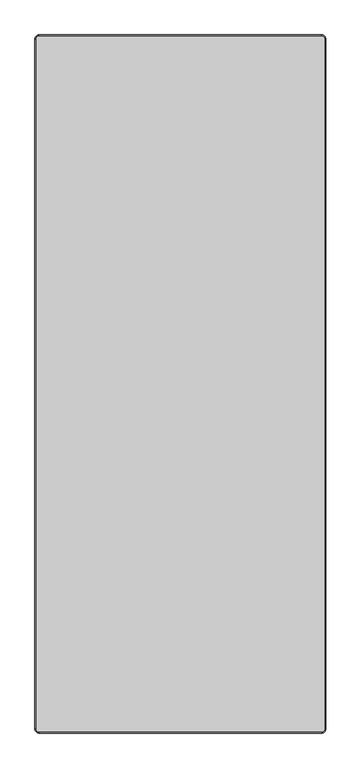
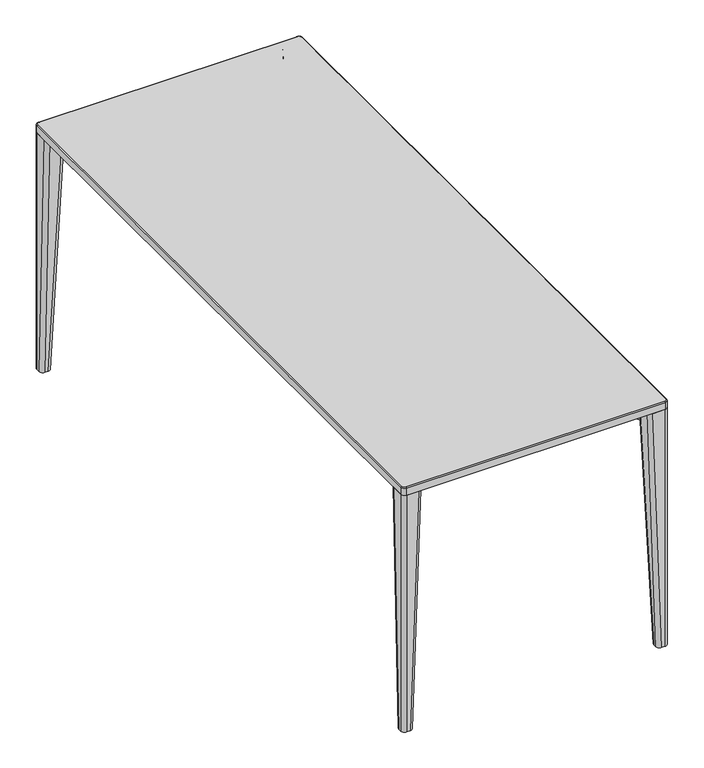
"""IFC4 building model written with IfcOpenShell, lengths in millimetres: furniture geometry."""

from ifc_helpers import new_model, si_unit, point, frame, frame_2d, origin, place, context, project, spatial, polyline, circle_curve, ellipse_curve, trimmed, segment, composite_curve, outline, extrude, source, transform, mapped, element, save
from ifc_brep_helpers import plane_surface, cylinder_surface, revolved_surface, extruded_surface, advanced_brep


def furniture_276bb949(model_context):
    return source(origin(), model_context, "Body", "SolidModel", [
        advanced_brep(
        [(-372.0, -890.0, 730.0), (-365.0, -897.0, 730.0), (365.0, -897.0, 730.0), (372.0, -890.0, 730.0), (372.0, 890.0, 730.0), (365.0, 897.0, 730.0), (-365.0, 897.0, 730.0), (-372.0, 890.0, 730.0), (365.0, 900.0, 707.0), (375.0, 890.0, 707.0), (375.0, -890.0, 707.0), (365.0, -900.0, 707.0), (-365.0, -900.0, 707.0), (-375.0, -890.0, 707.0), (-375.0, 890.0, 707.0), (-365.0, 900.0, 707.0), (-230.0, -740.0, 707.0), (-350.0, -740.0, 707.0), (-365.0, -755.0, 707.0), (-365.0, -875.0, 707.0), (-350.0, -890.0, 707.0), (-230.0, -890.0, 707.0), (-215.0, -875.0, 707.0), (-215.0, -755.0, 707.0), (230.0, -740.0, 707.0), (215.0, -755.0, 707.0), (215.0, -875.0, 707.0), (230.0, -890.0, 707.0), (350.0, -890.0, 707.0), (365.0, -875.0, 707.0), (365.0, -755.0, 707.0), (350.0, -740.0, 707.0), (-230.0, 740.0, 707.0), (-215.0, 755.0, 707.0), (-215.0, 875.0, 707.0), (-230.0, 890.0, 707.0), (-350.0, 890.0, 707.0), (-365.0, 875.0, 707.0), (-365.0, 755.0, 707.0), (-350.0, 740.0, 707.0), (230.0, 740.0, 707.0), (350.0, 740.0, 707.0), (365.0, 755.0, 707.0), (365.0, 875.0, 707.0), (350.0, 890.0, 707.0), (230.0, 890.0, 707.0), (215.0, 875.0, 707.0), (215.0, 755.0, 707.0), (-365.0, 900.0, 727.0), (365.0, 900.0, 727.0), (-375.0, -890.0, 727.000003), (-375.0, 890.0, 727.0), (365.0, -900.0, 727.0), (-365.0, -900.0, 727.0), (375.0, 890.0, 727.0), (375.0, -890.0, 727.0), (-230.0, -740.0, 710.5), (-215.0, -755.0, 710.5), (-215.0, -875.0, 710.5), (-230.0, -890.0, 710.5), (-350.0, -890.0, 710.5), (-365.0, -875.0, 710.5), (-365.0, -755.0, 710.5), (-350.0, -740.0, 710.5), (230.0, -740.0, 710.5), (350.0, -740.0, 710.5), (365.0, -755.0, 710.5), (365.0, -875.0, 710.5), (350.0, -890.0, 710.5), (230.0, -890.0, 710.5), (215.0, -875.0, 710.5), (215.0, -755.0, 710.5), (-230.0, 740.0, 710.5), (-350.0, 740.0, 710.5), (-365.0, 755.0, 710.5), (-365.0, 875.0, 710.5), (-350.0, 890.0, 710.5), (-230.0, 890.0, 710.5), (-215.0, 875.0, 710.5), (-215.0, 755.0, 710.5), (230.0, 740.0, 710.5), (215.0, 755.0, 710.5), (215.0, 875.0, 710.5), (230.0, 890.0, 710.5), (350.0, 890.0, 710.5), (365.0, 875.0, 710.5), (365.0, 755.0, 710.5), (350.0, 740.0, 710.5)],
        [
            (0, 1, circle_curve(frame((-365.0, -890.0, 730.0), z_axis=(0.0, 0.0, 1.0), x_axis=(-1.0, 0.0, 0.0)), 7.0)),
            (1, 2),
            (2, 3, circle_curve(frame((365.0, -890.0, 730.0), z_axis=(0.0, 0.0, 1.0), x_axis=(0.0, -1.0, 0.0)), 7.0)),
            (3, 4),
            (4, 5, circle_curve(frame((365.0, 890.0, 730.0), z_axis=(0.0, 0.0, 1.0), x_axis=(1.0, 0.0, 0.0)), 7.0)),
            (5, 6),
            (6, 7, circle_curve(frame((-365.0, 890.0, 730.0), z_axis=(0.0, 0.0, 1.0), x_axis=(0.0, 1.0, 0.0)), 7.0)),
            (7, 0),
            (8, 9, circle_curve(frame((365.0, 890.0, 707.0), z_axis=(0.0, 0.0, -1.0), x_axis=(1.0, 0.0, 0.0)), 10.0)),
            (9, 10),
            (10, 11, circle_curve(frame((365.0, -890.0, 707.0), z_axis=(0.0, 0.0, -1.0), x_axis=(1.0, 0.0, 0.0)), 10.0)),
            (11, 12),
            (12, 13, circle_curve(frame((-365.0, -890.0, 707.0), z_axis=(0.0, 0.0, -1.0), x_axis=(1.0, 0.0, 0.0)), 10.0)),
            (13, 14),
            (14, 15, circle_curve(frame((-365.0, 890.0, 707.0), z_axis=(0.0, 0.0, -1.0), x_axis=(1.0, 0.0, 0.0)), 10.0)),
            (15, 8),
            (16, 17),
            (17, 18, circle_curve(frame((-350.0, -755.0, 707.0), z_axis=(0.0, 0.0, 1.0), x_axis=(-0.7071067811866044, 0.7071067811864906, 0.0)), 15.0)),
            (18, 19),
            (19, 20, circle_curve(frame((-350.0, -875.0, 707.0), z_axis=(0.0, 0.0, 1.0), x_axis=(-0.7071067811866044, 0.7071067811864906, 0.0)), 15.0)),
            (20, 21),
            (21, 22, circle_curve(frame((-230.0, -875.0, 707.0), z_axis=(0.0, 0.0, 1.0), x_axis=(-0.7071067811866044, 0.7071067811864906, 0.0)), 15.0)),
            (22, 23),
            (23, 16, circle_curve(frame((-230.0, -755.0, 707.0), z_axis=(0.0, 0.0, 1.0), x_axis=(-0.7071067811866044, 0.7071067811864906, 0.0)), 15.0)),
            (24, 25, circle_curve(frame((230.0, -755.0, 707.0), z_axis=(0.0, 0.0, 1.0), x_axis=(-0.7071067811866044, 0.7071067811864906, 0.0)), 15.0)),
            (25, 26),
            (26, 27, circle_curve(frame((230.0, -875.0, 707.0), z_axis=(0.0, 0.0, 1.0), x_axis=(-0.7071067811866044, 0.7071067811864906, 0.0)), 15.0)),
            (27, 28),
            (28, 29, circle_curve(frame((350.0, -875.0, 707.0), z_axis=(0.0, 0.0, 1.0), x_axis=(-0.7071067811866044, 0.7071067811864906, 0.0)), 15.0)),
            (29, 30),
            (30, 31, circle_curve(frame((350.0, -755.0, 707.0), z_axis=(0.0, 0.0, 1.0), x_axis=(-0.7071067811866044, 0.7071067811864906, 0.0)), 15.0)),
            (31, 24),
            (32, 33, circle_curve(frame((-230.0, 755.0, 707.0), z_axis=(0.0, 0.0, 1.0), x_axis=(-0.7071067811866044, 0.7071067811864906, 0.0)), 15.0)),
            (33, 34),
            (34, 35, circle_curve(frame((-230.0, 875.0, 707.0), z_axis=(0.0, 0.0, 1.0), x_axis=(-0.7071067811866044, 0.7071067811864906, 0.0)), 15.0)),
            (35, 36),
            (36, 37, circle_curve(frame((-350.0, 875.0, 707.0), z_axis=(0.0, 0.0, 1.0), x_axis=(-0.7071067811866044, 0.7071067811864906, 0.0)), 15.0)),
            (37, 38),
            (38, 39, circle_curve(frame((-350.0, 755.0, 707.0), z_axis=(0.0, 0.0, 1.0), x_axis=(-0.7071067811866044, 0.7071067811864906, 0.0)), 15.0)),
            (39, 32),
            (40, 41),
            (41, 42, circle_curve(frame((350.0, 755.0, 707.0), z_axis=(0.0, 0.0, 1.0), x_axis=(-0.7071067811866044, 0.7071067811864906, 0.0)), 15.0)),
            (42, 43),
            (43, 44, circle_curve(frame((350.0, 875.0, 707.0), z_axis=(0.0, 0.0, 1.0), x_axis=(-0.7071067811866044, 0.7071067811864906, 0.0)), 15.0)),
            (44, 45),
            (45, 46, circle_curve(frame((230.0, 875.0, 707.0), z_axis=(0.0, 0.0, 1.0), x_axis=(-0.7071067811866044, 0.7071067811864906, 0.0)), 15.0)),
            (46, 47),
            (47, 40, circle_curve(frame((230.0, 755.0, 707.0), z_axis=(0.0, 0.0, 1.0), x_axis=(-0.7071067811866044, 0.7071067811864906, 0.0)), 15.0)),
            (15, 48),
            (48, 49),
            (49, 8),
            (13, 50),
            (50, 51),
            (51, 14),
            (11, 52),
            (52, 53),
            (53, 12),
            (9, 54),
            (54, 55),
            (55, 10),
            (51, 48, circle_curve(frame((-365.0, 890.0, 727.0), z_axis=(0.0, 0.0, -1.0), x_axis=(1.0, 0.0, 0.0)), 10.0)),
            (53, 50, circle_curve(frame((-365.0, -890.0, 727.0), z_axis=(0.0, 0.0, -1.0), x_axis=(1.0, 0.0, 0.0)), 10.0)),
            (55, 52, circle_curve(frame((365.0, -890.0, 727.0), z_axis=(0.0, 0.0, -1.0), x_axis=(1.0, 0.0, 0.0)), 10.0)),
            (49, 54, circle_curve(frame((365.0, 890.0, 727.0), z_axis=(0.0, 0.0, -1.0), x_axis=(1.0, 0.0, 0.0)), 10.0)),
            (53, 1, circle_curve(frame((-365.0, -897.0, 727.0), z_axis=(-1.0, 0.0, 0.0), x_axis=(0.0, 1.0, 0.0)), 3.0)),
            (0, 50, circle_curve(frame((-372.0, -890.0, 727.0), z_axis=(0.0, -1.0, 0.0), x_axis=(1.0, 0.0, 0.0)), 3.0)),
            (52, 2, circle_curve(frame((365.0, -897.0, 727.0), z_axis=(-1.0, 0.0, 0.0), x_axis=(0.0, 1.0, 0.0)), 3.0)),
            (55, 3, circle_curve(frame((372.0, -890.0, 727.0), z_axis=(0.0, -1.0, 0.0), x_axis=(-1.0, 0.0, 0.0)), 3.0)),
            (54, 4, circle_curve(frame((372.0, 890.0, 727.0), z_axis=(0.0, -1.0, 0.0), x_axis=(-1.0, 0.0, 0.0)), 3.0)),
            (49, 5, circle_curve(frame((365.0, 897.0, 727.0), z_axis=(1.0, 0.0, 0.0), x_axis=(0.0, -1.0, 0.0)), 3.0)),
            (48, 6, circle_curve(frame((-365.0, 897.0, 727.0), z_axis=(1.0, 0.0, 0.0), x_axis=(0.0, -1.0, 0.0)), 3.0)),
            (51, 7, circle_curve(frame((-372.0, 890.0, 727.0), z_axis=(0.0, 1.0, 0.0), x_axis=(1.0, 0.0, 0.0)), 3.0)),
            (56, 57, circle_curve(frame((-230.0, -755.0, 710.5), z_axis=(0.0, 0.0, -1.0), x_axis=(-0.7071067811866044, 0.7071067811864906, 0.0)), 15.0)),
            (57, 58),
            (58, 59, circle_curve(frame((-230.0, -875.0, 710.5), z_axis=(0.0, 0.0, -1.0), x_axis=(-0.7071067811866044, 0.7071067811864906, 0.0)), 15.0)),
            (59, 60),
            (60, 61, circle_curve(frame((-350.0, -875.0, 710.5), z_axis=(0.0, 0.0, -1.0), x_axis=(-0.7071067811866044, 0.7071067811864906, 0.0)), 15.0)),
            (61, 62),
            (62, 63, circle_curve(frame((-350.0, -755.0, 710.5), z_axis=(0.0, 0.0, -1.0), x_axis=(-0.7071067811866044, 0.7071067811864906, 0.0)), 15.0)),
            (63, 56),
            (64, 65),
            (65, 66, circle_curve(frame((350.0, -755.0, 710.5), z_axis=(0.0, 0.0, -1.0), x_axis=(-0.7071067811866044, 0.7071067811864906, 0.0)), 15.0)),
            (66, 67),
            (67, 68, circle_curve(frame((350.0, -875.0, 710.5), z_axis=(0.0, 0.0, -1.0), x_axis=(-0.7071067811866044, 0.7071067811864906, 0.0)), 15.0)),
            (68, 69),
            (69, 70, circle_curve(frame((230.0, -875.0, 710.5), z_axis=(0.0, 0.0, -1.0), x_axis=(-0.7071067811866044, 0.7071067811864906, 0.0)), 15.0)),
            (70, 71),
            (71, 64, circle_curve(frame((230.0, -755.0, 710.5), z_axis=(0.0, 0.0, -1.0), x_axis=(-0.7071067811866044, 0.7071067811864906, 0.0)), 15.0)),
            (72, 73),
            (73, 74, circle_curve(frame((-350.0, 755.0, 710.5), z_axis=(0.0, 0.0, -1.0), x_axis=(-0.7071067811866044, 0.7071067811864906, 0.0)), 15.0)),
            (74, 75),
            (75, 76, circle_curve(frame((-350.0, 875.0, 710.5), z_axis=(0.0, 0.0, -1.0), x_axis=(-0.7071067811866044, 0.7071067811864906, 0.0)), 15.0)),
            (76, 77),
            (77, 78, circle_curve(frame((-230.0, 875.0, 710.5), z_axis=(0.0, 0.0, -1.0), x_axis=(-0.7071067811866044, 0.7071067811864906, 0.0)), 15.0)),
            (78, 79),
            (79, 72, circle_curve(frame((-230.0, 755.0, 710.5), z_axis=(0.0, 0.0, -1.0), x_axis=(-0.7071067811866044, 0.7071067811864906, 0.0)), 15.0)),
            (80, 81, circle_curve(frame((230.0, 755.0, 710.5), z_axis=(0.0, 0.0, -1.0), x_axis=(-0.7071067811866044, 0.7071067811864906, 0.0)), 15.0)),
            (81, 82),
            (82, 83, circle_curve(frame((230.0, 875.0, 710.5), z_axis=(0.0, 0.0, -1.0), x_axis=(-0.7071067811866044, 0.7071067811864906, 0.0)), 15.0)),
            (83, 84),
            (84, 85, circle_curve(frame((350.0, 875.0, 710.5), z_axis=(0.0, 0.0, -1.0), x_axis=(-0.7071067811866044, 0.7071067811864906, 0.0)), 15.0)),
            (85, 86),
            (86, 87, circle_curve(frame((350.0, 755.0, 710.5), z_axis=(0.0, 0.0, -1.0), x_axis=(-0.7071067811866044, 0.7071067811864906, 0.0)), 15.0)),
            (87, 80),
            (63, 17),
            (16, 56),
            (62, 18),
            (61, 19),
            (60, 20),
            (59, 21),
            (58, 22),
            (57, 23),
            (71, 25),
            (24, 64),
            (70, 26),
            (69, 27),
            (68, 28),
            (67, 29),
            (66, 30),
            (65, 31),
            (79, 33),
            (32, 72),
            (78, 34),
            (77, 35),
            (76, 36),
            (75, 37),
            (74, 38),
            (73, 39),
            (87, 41),
            (40, 80),
            (86, 42),
            (85, 43),
            (84, 44),
            (83, 45),
            (82, 46),
            (81, 47),
        ],
        [
            plane_surface(frame((-250.0, 900.0, 730.0), z_axis=(0.0, 0.0, 1.0), x_axis=(-1.0, 0.0, 0.0))),
            plane_surface(frame((-250.0, 900.0, 707.0), z_axis=(0.0, 0.0, -1.0), x_axis=(1.0, 0.0, 0.0))),
            plane_surface(frame((365.0, 900.0, 730.0), z_axis=(0.0, 1.0, 0.0), x_axis=(0.0, 0.0, -1.0))),
            plane_surface(frame((-375.0, 890.0, 730.0), z_axis=(-1.0, 0.0, 0.0), x_axis=(0.0, 0.0, -1.0))),
            plane_surface(frame((-365.0, -900.0, 730.0), z_axis=(0.0, -1.0, 0.0), x_axis=(0.0, 0.0, -1.0))),
            plane_surface(frame((375.0, -890.0, 730.0), z_axis=(1.0, 0.0, 0.0), x_axis=(0.0, 0.0, -1.0))),
            cylinder_surface(frame((-365.0, 890.0, 707.0), z_axis=(0.0, 0.0, 1.0), x_axis=(1.0, 0.0, 0.0)), 10.0),
            cylinder_surface(frame((-365.0, -890.0, 707.0), z_axis=(0.0, 0.0, 1.0), x_axis=(1.0, 0.0, 0.0)), 10.0),
            cylinder_surface(frame((365.0, -890.0, 707.0), z_axis=(0.0, 0.0, 1.0), x_axis=(1.0, 0.0, 0.0)), 10.0),
            cylinder_surface(frame((365.0, 890.0, 707.0), z_axis=(0.0, 0.0, 1.0), x_axis=(1.0, 0.0, 0.0)), 10.0),
            revolved_surface(trimmed(ellipse_curve(frame((-372.0, -890.0, 727.0), z_axis=(0.0, 1.0, 0.0), x_axis=(1.0, 0.0, 0.0)), 3.0, 3.0), [point((-375.0, -890.0, 727.0))], [point((-372.0, -890.0, 730.0))], True, "CARTESIAN"), (-365.0, -890.0, 212.565852), (0.0, 0.0, 1.0)),
            cylinder_surface(frame((-365.0, -897.0, 727.0), z_axis=(1.0, 0.0, 0.0), x_axis=(0.0, 1.0, 0.0)), 3.0),
            revolved_surface(trimmed(ellipse_curve(frame((365.0, -897.0, 727.0), z_axis=(-1.0, 0.0, 0.0), x_axis=(0.0, 1.0, 0.0)), 3.0, 3.0), [point((365.0, -900.0, 727.0))], [point((365.0, -897.0, 730.0))], True, "CARTESIAN"), (365.0, -890.0, 212.565852), (0.0, 0.0, 1.0)),
            cylinder_surface(frame((372.0, -890.0, 727.0), z_axis=(0.0, 1.0, 0.0), x_axis=(-1.0, 0.0, 0.0)), 3.0),
            revolved_surface(trimmed(ellipse_curve(frame((372.0, 890.0, 727.0), z_axis=(0.0, -1.0, 0.0), x_axis=(-1.0, 0.0, 0.0)), 3.0, 3.0), [point((375.0, 890.0, 727.0))], [point((372.0, 890.0, 730.0))], True, "CARTESIAN"), (365.0, 890.0, 212.565852), (0.0, 0.0, 1.0)),
            cylinder_surface(frame((365.0, 897.0, 727.0), z_axis=(-1.0, 0.0, 0.0), x_axis=(0.0, -1.0, 0.0)), 3.0),
            revolved_surface(trimmed(ellipse_curve(frame((-365.0, 897.0, 727.0), z_axis=(1.0, 0.0, 0.0), x_axis=(0.0, -1.0, 0.0)), 3.0, 3.0), [point((-365.0, 900.0, 727.0))], [point((-365.0, 897.0, 730.0))], True, "CARTESIAN"), (-365.0, 890.0, 212.565852), (0.0, 0.0, 1.0)),
            cylinder_surface(frame((-372.0, 890.0, 727.0), z_axis=(0.0, -1.0, 0.0), x_axis=(1.0, 0.0, 0.0)), 3.0),
            plane_surface(frame((-325.0, -740.0, 710.5), z_axis=(0.0, 0.0, -1.0), x_axis=(-1.0, 0.0, 0.0))),
            plane_surface(frame((-230.0, -740.0, 710.5), z_axis=(0.0, -1.0, 0.0), x_axis=(0.0, 0.0, -1.0))),
            revolved_surface(polyline([(-360.6066017177991, -744.3933982822026, 710.5), (-360.6066017177991, -744.3933982822026, 707.0)]), (-350.0, -755.0, 689.2243474), (0.0, 0.0, 1.0)),
            plane_surface(frame((-365.0, -755.0, 710.5), z_axis=(1.0, 0.0, 0.0), x_axis=(0.0, 0.0, -1.0))),
            revolved_surface(polyline([(-360.6066017177991, -864.3933982822026, 710.5), (-360.6066017177991, -864.3933982822026, 707.0)]), (-350.0, -875.0, 689.2243474), (0.0, 0.0, 1.0)),
            plane_surface(frame((-350.0, -890.0, 710.5), z_axis=(0.0, 1.0, 0.0), x_axis=(0.0, 0.0, -1.0))),
            revolved_surface(polyline([(-240.60660171779907, -864.3933982822026, 710.5), (-240.60660171779907, -864.3933982822026, 707.0)]), (-230.0, -875.0, 689.2243474), (0.0, 0.0, 1.0)),
            plane_surface(frame((-215.0, -875.0, 710.5), z_axis=(-1.0, 0.0, 0.0), x_axis=(0.0, 0.0, -1.0))),
            revolved_surface(polyline([(-240.60660171779907, -744.3933982822026, 710.5), (-240.60660171779907, -744.3933982822026, 707.0)]), (-230.0, -755.0, 689.2243474), (0.0, 0.0, 1.0)),
            revolved_surface(polyline([(219.39339828220093, -744.3933982822026, 710.5), (219.39339828220093, -744.3933982822026, 707.0)]), (230.0, -755.0, 7.5), (0.0, 0.0, 1.0)),
            plane_surface(frame((215.0, -755.0, 710.5), z_axis=(1.0, 0.0, 0.0), x_axis=(0.0, 0.0, -1.0))),
            revolved_surface(polyline([(219.39339828220093, -864.3933982822026, 710.5), (219.39339828220093, -864.3933982822026, 707.0)]), (230.0, -875.0, 7.5), (0.0, 0.0, 1.0)),
            plane_surface(frame((230.0, -890.0, 710.5), z_axis=(0.0, 1.0, 0.0), x_axis=(0.0, 0.0, -1.0))),
            revolved_surface(polyline([(339.3933982822009, -864.3933982822026, 710.5), (339.3933982822009, -864.3933982822026, 707.0)]), (350.0, -875.0, 7.5), (0.0, 0.0, 1.0)),
            plane_surface(frame((365.0, -875.0, 710.5), z_axis=(-1.0, 0.0, 0.0), x_axis=(0.0, 0.0, -1.0))),
            revolved_surface(polyline([(339.3933982822009, -744.3933982822026, 710.5), (339.3933982822009, -744.3933982822026, 707.0)]), (350.0, -755.0, 7.5), (0.0, 0.0, 1.0)),
            plane_surface(frame((350.0, -740.0, 710.5), z_axis=(0.0, -1.0, 0.0), x_axis=(0.0, 0.0, -1.0))),
            revolved_surface(polyline([(-240.60660171779907, 765.6066017177974, 710.5), (-240.60660171779907, 765.6066017177974, 707.0)]), (-230.0, 755.0, 7.5), (0.0, 0.0, 1.0)),
            plane_surface(frame((-215.0, 755.0, 710.5), z_axis=(-1.0, 0.0, 0.0), x_axis=(0.0, 0.0, -1.0))),
            revolved_surface(polyline([(-240.60660171779907, 885.6066017177974, 710.5), (-240.60660171779907, 885.6066017177974, 707.0)]), (-230.0, 875.0, 7.5), (0.0, 0.0, 1.0)),
            plane_surface(frame((-230.0, 890.0, 710.5), z_axis=(0.0, -1.0, 0.0), x_axis=(0.0, 0.0, -1.0))),
            revolved_surface(polyline([(-360.6066017177991, 885.6066017177974, 710.5), (-360.6066017177991, 885.6066017177974, 707.0)]), (-350.0, 875.0, 7.5), (0.0, 0.0, 1.0)),
            plane_surface(frame((-365.0, 875.0, 710.5), z_axis=(1.0, 0.0, 0.0), x_axis=(0.0, 0.0, -1.0))),
            revolved_surface(polyline([(-360.6066017177991, 765.6066017177974, 710.5), (-360.6066017177991, 765.6066017177974, 707.0)]), (-350.0, 755.0, 7.5), (0.0, 0.0, 1.0)),
            plane_surface(frame((-350.0, 740.0, 710.5), z_axis=(0.0, 1.0, 0.0), x_axis=(0.0, 0.0, -1.0))),
            plane_surface(frame((230.0, 740.0, 710.5), z_axis=(0.0, 1.0, 0.0), x_axis=(0.0, 0.0, -1.0))),
            revolved_surface(polyline([(339.3933982822009, 765.6066017177974, 710.5), (339.3933982822009, 765.6066017177974, 707.0)]), (350.0, 755.0, 7.5), (0.0, 0.0, 1.0)),
            plane_surface(frame((365.0, 755.0, 710.5), z_axis=(-1.0, 0.0, 0.0), x_axis=(0.0, 0.0, -1.0))),
            revolved_surface(polyline([(339.3933982822009, 885.6066017177974, 710.5), (339.3933982822009, 885.6066017177974, 707.0)]), (350.0, 875.0, 7.5), (0.0, 0.0, 1.0)),
            plane_surface(frame((350.0, 890.0, 710.5), z_axis=(0.0, -1.0, 0.0), x_axis=(0.0, 0.0, -1.0))),
            revolved_surface(polyline([(219.39339828220093, 885.6066017177974, 710.5), (219.39339828220093, 885.6066017177974, 707.0)]), (230.0, 875.0, 7.5), (0.0, 0.0, 1.0)),
            plane_surface(frame((215.0, 875.0, 710.5), z_axis=(1.0, 0.0, 0.0), x_axis=(0.0, 0.0, -1.0))),
            revolved_surface(polyline([(219.39339828220093, 765.6066017177974, 710.5), (219.39339828220093, 765.6066017177974, 707.0)]), (230.0, 755.0, 7.5), (0.0, 0.0, 1.0)),
        ],
        [
            (0, [[1, 2, 3, 4, 5, 6, 7, 8]]),
            (1, [[9, 10, 11, 12, 13, 14, 15, 16], [17, 18, 19, 20, 21, 22, 23, 24], [25, 26, 27, 28, 29, 30, 31, 32], [33, 34, 35, 36, 37, 38, 39, 40], [41, 42, 43, 44, 45, 46, 47, 48]]),
            (2, [[-16, 49, 50, 51]]),
            (3, [[-14, 52, 53, 54]]),
            (4, [[-12, 55, 56, 57]]),
            (5, [[-10, 58, 59, 60]]),
            (6, [[-15, -54, 61, -49]]),
            (7, [[-13, -57, 62, -52]]),
            (8, [[-11, -60, 63, -55]]),
            (9, [[-9, -51, 64, -58]]),
            (10, [[65, -1, 66, -62]]),
            (11, [[-65, -56, 67, -2]]),
            (12, [[-67, -63, 68, -3]]),
            (13, [[-68, -59, 69, -4]]),
            (14, [[-69, -64, 70, -5]]),
            (15, [[-70, -50, 71, -6]]),
            (16, [[-71, -61, 72, -7]]),
            (17, [[-66, -8, -72, -53]]),
            (18, [[73, 74, 75, 76, 77, 78, 79, 80]]),
            (18, [[81, 82, 83, 84, 85, 86, 87, 88]]),
            (18, [[89, 90, 91, 92, 93, 94, 95, 96]]),
            (18, [[97, 98, 99, 100, 101, 102, 103, 104]]),
            (19, [[-80, 105, -17, 106]]),
            (20, [[-79, 107, -18, -105]]),
            (21, [[-78, 108, -19, -107]]),
            (22, [[-77, 109, -20, -108]]),
            (23, [[-76, 110, -21, -109]]),
            (24, [[-75, 111, -22, -110]]),
            (25, [[-74, 112, -23, -111]]),
            (26, [[-73, -106, -24, -112]]),
            (27, [[-88, 113, -25, 114]]),
            (28, [[-87, 115, -26, -113]]),
            (29, [[-86, 116, -27, -115]]),
            (30, [[-85, 117, -28, -116]]),
            (31, [[-84, 118, -29, -117]]),
            (32, [[-83, 119, -30, -118]]),
            (33, [[-82, 120, -31, -119]]),
            (34, [[-81, -114, -32, -120]]),
            (35, [[-96, 121, -33, 122]]),
            (36, [[-95, 123, -34, -121]]),
            (37, [[-94, 124, -35, -123]]),
            (38, [[-93, 125, -36, -124]]),
            (39, [[-92, 126, -37, -125]]),
            (40, [[-91, 127, -38, -126]]),
            (41, [[-90, 128, -39, -127]]),
            (42, [[-89, -122, -40, -128]]),
            (43, [[-104, 129, -41, 130]]),
            (44, [[-103, 131, -42, -129]]),
            (45, [[-102, 132, -43, -131]]),
            (46, [[-101, 133, -44, -132]]),
            (47, [[-100, 134, -45, -133]]),
            (48, [[-99, 135, -46, -134]]),
            (49, [[-98, 136, -47, -135]]),
            (50, [[-97, -130, -48, -136]]),
        ],
    ),
        advanced_brep(
        [(365.0000055, 845.0356915, 707.0), (375.0000055, 855.0356915, 707.0), (375.0000055, 890.0356915, 707.0), (365.0000055, 900.0356915, 707.0), (330.0356915, 900.0356915, 707.0), (320.0356915, 890.0356915, 707.0), (320.0356915, 855.0356915, 707.0), (330.0356915, 845.0356915, 707.0), (365.0000055, 869.9286171, 0.0), (354.9286169, 869.9286171, 0.0), (344.9286169, 879.9286171, 0.0), (344.9286169, 890.0356915, 0.0), (354.9286169, 900.0356915, 0.0), (365.0000055, 900.0356915, 0.0), (375.0000055, 890.0356915, 0.0), (375.0000055, 879.9286171, 0.0)],
        [
            (0, 1, circle_curve(frame((365.0000055, 855.0356915, 707.0), z_axis=(0.0, 0.0, 1.0), x_axis=(-1.0, 0.0, 0.0)), 10.0)),
            (1, 2),
            (2, 3, circle_curve(frame((365.0000055, 890.0356915, 707.0), z_axis=(0.0, 0.0, 1.0), x_axis=(0.0, 1.0, 0.0)), 10.0)),
            (3, 4),
            (4, 5, circle_curve(frame((330.0356915, 890.0356915, 707.0), z_axis=(0.0, 0.0, 1.0), x_axis=(-1.0, 0.0, 0.0)), 10.0)),
            (5, 6),
            (6, 7, circle_curve(frame((330.0356915, 855.0356915, 707.0), z_axis=(0.0, 0.0, 1.0), x_axis=(-1.0, 0.0, 0.0)), 10.0)),
            (7, 0),
            (8, 9),
            (9, 10, circle_curve(frame((354.9286169, 879.9286171, 0.0), z_axis=(0.0, 0.0, -1.0), x_axis=(-1.0, 0.0, 0.0)), 10.0)),
            (10, 11),
            (11, 12, circle_curve(frame((354.9286169, 890.0356915, 0.0), z_axis=(0.0, 0.0, -1.0), x_axis=(-1.0, 0.0, 0.0)), 10.0)),
            (12, 13),
            (13, 14, circle_curve(frame((365.0000055, 890.0356915, 0.0), z_axis=(0.0, 0.0, -1.0), x_axis=(0.0, 1.0, 0.0)), 10.0)),
            (14, 15),
            (15, 8, circle_curve(frame((365.0000055, 879.9286171, 0.0), z_axis=(0.0, 0.0, -1.0), x_axis=(-1.0, 0.0, 0.0)), 10.0)),
            (15, 1),
            (0, 8),
            (14, 2),
            (13, 3),
            (12, 4),
            (11, 5),
            (9, 7),
            (6, 10),
        ],
        [
            plane_surface(frame((347.5178485, 872.5356915, 707.0), z_axis=(0.0, 0.0, 1.0), x_axis=(1.0, 0.0, 0.0))),
            plane_surface(frame((359.9643112, 884.9821543, 0.0), z_axis=(0.0, 0.0, -1.0), x_axis=(1.0, 0.0, 0.0))),
            extruded_surface(trimmed(circle_curve(frame((365.0000055, 879.9286171, 0.0), z_axis=(0.0, 0.0, 1.0), x_axis=(-1.0, 0.0, 0.0)), 10.0), [point((365.0000055, 869.9286171, 0.0))], [point((375.0000055, 879.9286171, 0.0))], True, "CARTESIAN"), (0.0, -24.892925600000012, 707.0), 707.4380946379175),
            plane_surface(frame((375.0000055, 884.9821543, 0.0), z_axis=(1.0, 0.0, 0.0), x_axis=(0.0, 1.0, 0.0))),
            cylinder_surface(frame((365.0000055, 890.0356915, 0.0), z_axis=(0.0, 0.0, 1.0), x_axis=(0.0, 1.0, 0.0)), 10.0),
            plane_surface(frame((359.9643112, 900.0356915, 0.0), z_axis=(0.0, 1.0, 0.0), x_axis=(-1.0, 0.0, 0.0))),
            extruded_surface(trimmed(circle_curve(frame((354.9286169, 890.0356915, 0.0), z_axis=(0.0, 0.0, 1.0), x_axis=(-1.0, 0.0, 0.0)), 10.0), [point((354.9286169, 900.0356915, 0.0))], [point((344.9286169, 890.0356915, 0.0))], True, "CARTESIAN"), (-24.892925400000024, 0.0, 707.0), 707.4380946308801),
            extruded_surface(trimmed(circle_curve(frame((354.9286169, 879.9286171, 0.0), z_axis=(0.0, 0.0, 1.0), x_axis=(-1.0, 0.0, 0.0)), 10.0), [point((344.9286169, 879.9286171, 0.0))], [point((354.9286169, 869.9286171, 0.0))], True, "CARTESIAN"), (-24.892925400000024, -24.892925600000012, 707.0), 707.8759181381275),
            plane_surface(frame((359.9643112, 869.9286171, 0.0), z_axis=(0.0, -0.999380730780297, -0.03518742595075023), x_axis=(1.0, 0.0, 0.0))),
            plane_surface(frame((344.9286169, 884.9821543, 0.0), z_axis=(-0.9993807307883155, 0.0, -0.035187425723012825), x_axis=(0.0, -1.0, 0.0))),
        ],
        [
            (0, [[1, 2, 3, 4, 5, 6, 7, 8]]),
            (1, [[9, 10, 11, 12, 13, 14, 15, 16]]),
            (2, [[-16, 17, -1, 18]]),
            (3, [[-15, 19, -2, -17]]),
            (4, [[-14, 20, -3, -19]]),
            (5, [[-13, 21, -4, -20]]),
            (6, [[-12, 22, -5, -21]]),
            (7, [[-10, 23, -7, 24]]),
            (8, [[-9, -18, -8, -23]]),
            (9, [[-11, -24, -6, -22]]),
        ],
    ),
        extrude(outline(composite_curve([segment(polyline([(-8.2207438, 0.0), (9.7379156, -5.5739147), (-4.0458607, -49.9840207), (-152.5023794, -3.9068632), (-151.7265313, -1.4071494)]), True, "CONTINUOUS"), segment(trimmed(circle_curve(frame_2d((-149.8164193, -1.9999999)), 2.0), [point((-151.7265313, -1.4071494))], [point((-149.8164194, 1e-07))], False, "CARTESIAN"), True, "CONTINUOUS"), segment(polyline([(-149.8164194, 1e-07), (-8.2207438, 0.0)]), True, "CONTINUOUS")], self_intersect=False)), frame((332.1766448, 853.6411109, 658.0631636), z_axis=(-0.7071067811865488, 0.7071067811865465, 0.0), x_axis=(0.6753266037234035, 0.6753266037234057, -0.2964252968402386)), (0.0, 0.0, 1.0), 5.0),
        extrude(outline(composite_curve([segment(trimmed(circle_curve(frame_2d((230.0, 755.0)), 15.0), [point((230.0, 740.0))], [point((215.0, 755.0))], False, "CARTESIAN"), True, "CONTINUOUS"), segment(polyline([(215.0, 755.0), (215.0, 875.0)]), True, "CONTINUOUS"), segment(trimmed(circle_curve(frame_2d((230.0, 875.0)), 15.0), [point((215.0, 875.0))], [point((230.0, 890.0))], False, "CARTESIAN"), True, "CONTINUOUS"), segment(polyline([(230.0, 890.0), (350.0, 890.0)]), True, "CONTINUOUS"), segment(trimmed(circle_curve(frame_2d((350.0, 875.0)), 15.0), [point((350.0, 890.0))], [point((365.0, 875.0))], False, "CARTESIAN"), True, "CONTINUOUS"), segment(polyline([(365.0, 875.0), (365.0, 755.0)]), True, "CONTINUOUS"), segment(trimmed(circle_curve(frame_2d((350.0, 755.0)), 15.0), [point((365.0, 755.0))], [point((350.0, 740.0))], False, "CARTESIAN"), True, "CONTINUOUS"), segment(polyline([(350.0, 740.0), (230.0, 740.0)]), True, "CONTINUOUS")], self_intersect=False)), frame((0.0, 0.0, 707.0), z_axis=(0.0, 0.0, 1.0), x_axis=(1.0, 0.0, 0.0)), (0.0, 0.0, 1.0), 3.5),
        advanced_brep(
        [(-365.0000055, 845.0356915, 707.0), (-330.0356915, 845.0356915, 707.0), (-320.0356915, 855.0356915, 707.0), (-320.0356915, 890.0356915, 707.0), (-330.0356915, 900.0356915, 707.0), (-365.0000055, 900.0356915, 707.0), (-375.0000055, 890.0356915, 707.0), (-375.0000055, 855.0356915, 707.0), (-365.0000055, 869.9286171, 0.0), (-375.0000055, 879.9286171, 0.0), (-375.0000055, 890.0356915, 0.0), (-365.0000055, 900.0356915, 0.0), (-354.9286169, 900.0356915, 0.0), (-344.9286169, 890.0356915, 0.0), (-344.9286169, 879.9286171, 0.0), (-354.9286169, 869.9286171, 0.0)],
        [
            (0, 1),
            (1, 2, circle_curve(frame((-330.0356915, 855.0356915, 707.0), z_axis=(0.0, 0.0, 1.0), x_axis=(1.0, 0.0, 0.0)), 10.0)),
            (2, 3),
            (3, 4, circle_curve(frame((-330.0356915, 890.0356915, 707.0), z_axis=(0.0, 0.0, 1.0), x_axis=(1.0, 0.0, 0.0)), 10.0)),
            (4, 5),
            (5, 6, circle_curve(frame((-365.0000055, 890.0356915, 707.0), z_axis=(0.0, 0.0, 1.0), x_axis=(-1.0, 0.0, 0.0)), 10.0)),
            (6, 7),
            (7, 0, circle_curve(frame((-365.0000055, 855.0356915, 707.0), z_axis=(0.0, 0.0, 1.0), x_axis=(1.0, 0.0, 0.0)), 10.0)),
            (8, 9, circle_curve(frame((-365.0000055, 879.9286171, 0.0), z_axis=(0.0, 0.0, -1.0), x_axis=(1.0, 0.0, 0.0)), 10.0)),
            (9, 10),
            (10, 11, circle_curve(frame((-365.0000055, 890.0356915, 0.0), z_axis=(0.0, 0.0, -1.0), x_axis=(-1.0, 0.0, 0.0)), 10.0)),
            (11, 12),
            (12, 13, circle_curve(frame((-354.9286169, 890.0356915, 0.0), z_axis=(0.0, 0.0, -1.0), x_axis=(1.0, 0.0, 0.0)), 10.0)),
            (13, 14),
            (14, 15, circle_curve(frame((-354.9286169, 879.9286171, 0.0), z_axis=(0.0, 0.0, -1.0), x_axis=(1.0, 0.0, 0.0)), 10.0)),
            (15, 8),
            (8, 0),
            (7, 9),
            (6, 10),
            (5, 11),
            (4, 12),
            (3, 13),
            (14, 2),
            (1, 15),
        ],
        [
            plane_surface(frame((-347.5178485, 872.5356915, 707.0), z_axis=(0.0, 0.0, 1.0), x_axis=(1.0, 0.0, 0.0))),
            plane_surface(frame((-359.9643112, 884.9821543, 0.0), z_axis=(0.0, 0.0, -1.0), x_axis=(1.0, 0.0, 0.0))),
            extruded_surface(trimmed(circle_curve(frame((-365.0000055, 879.9286171, 0.0), z_axis=(0.0, 0.0, 1.0), x_axis=(1.0, 0.0, 0.0)), 10.0), [point((-375.0000055, 879.9286171, 0.0))], [point((-365.0000055, 869.9286171, 0.0))], True, "CARTESIAN"), (0.0, -24.892925600000012, 707.0), 707.4380946379175),
            plane_surface(frame((-375.0000055, 884.9821543, 0.0), z_axis=(-1.0, 0.0, 0.0), x_axis=(0.0, -1.0, 0.0))),
            cylinder_surface(frame((-365.0000055, 890.0356915, 0.0), z_axis=(0.0, 0.0, 1.0), x_axis=(-1.0, 0.0, 0.0)), 10.0),
            plane_surface(frame((-359.9643112, 900.0356915, 0.0), z_axis=(0.0, 1.0, 0.0), x_axis=(-1.0, 0.0, 0.0))),
            extruded_surface(trimmed(circle_curve(frame((-354.9286169, 890.0356915, 0.0), z_axis=(0.0, 0.0, 1.0), x_axis=(1.0, 0.0, 0.0)), 10.0), [point((-344.9286169, 890.0356915, 0.0))], [point((-354.9286169, 900.0356915, 0.0))], True, "CARTESIAN"), (24.892925400000024, 0.0, 707.0), 707.4380946308801),
            extruded_surface(trimmed(circle_curve(frame((-354.9286169, 879.9286171, 0.0), z_axis=(0.0, 0.0, 1.0), x_axis=(1.0, 0.0, 0.0)), 10.0), [point((-354.9286169, 869.9286171, 0.0))], [point((-344.9286169, 879.9286171, 0.0))], True, "CARTESIAN"), (24.892925400000024, -24.892925600000012, 707.0), 707.8759181381275),
            plane_surface(frame((-359.9643112, 869.9286171, 0.0), z_axis=(0.0, -0.999380730780297, -0.03518742595075023), x_axis=(1.0, 0.0, 0.0))),
            plane_surface(frame((-344.9286169, 884.9821543, 0.0), z_axis=(0.9993807307883155, 0.0, -0.035187425723012825), x_axis=(0.0, 1.0, 0.0))),
        ],
        [
            (0, [[1, 2, 3, 4, 5, 6, 7, 8]]),
            (1, [[9, 10, 11, 12, 13, 14, 15, 16]]),
            (2, [[-9, 17, -8, 18]]),
            (3, [[-10, -18, -7, 19]]),
            (4, [[-11, -19, -6, 20]]),
            (5, [[-12, -20, -5, 21]]),
            (6, [[-13, -21, -4, 22]]),
            (7, [[-15, 23, -2, 24]]),
            (8, [[-16, -24, -1, -17]]),
            (9, [[-14, -22, -3, -23]]),
        ],
    ),
        extrude(outline(composite_curve([segment(polyline([(18.8037755, 0.0), (154.035581, -41.9725401)]), True, "CONTINUOUS"), segment(trimmed(circle_curve(frame_2d((153.4427304, -43.8826522)), 2.0), [point((154.035581, -41.9725401))], [point((155.4427303, -43.8826522))], False, "CARTESIAN"), True, "CONTINUOUS"), segment(polyline([(155.4427303, -43.8826522), (155.4427303, -46.5), (0.0, -46.5), (0.0, 0.0), (18.8037755, 0.0)]), True, "CONTINUOUS")], self_intersect=False)), frame((-339.921235, 861.3857011, 660.5), z_axis=(0.7071067811865487, 0.7071067811865464, 0.0), x_axis=(0.7071067811865464, -0.7071067811865487, 0.0)), (0.0, 0.0, 1.0), 5.0),
        extrude(outline(composite_curve([segment(polyline([(-230.0, 740.0), (-350.0, 740.0)]), True, "CONTINUOUS"), segment(trimmed(circle_curve(frame_2d((-350.0, 755.0)), 15.0), [point((-350.0, 740.0))], [point((-365.0, 755.0))], False, "CARTESIAN"), True, "CONTINUOUS"), segment(polyline([(-365.0, 755.0), (-365.0, 875.0)]), True, "CONTINUOUS"), segment(trimmed(circle_curve(frame_2d((-350.0, 875.0)), 15.0), [point((-365.0, 875.0))], [point((-350.0, 890.0))], False, "CARTESIAN"), True, "CONTINUOUS"), segment(polyline([(-350.0, 890.0), (-230.0, 890.0)]), True, "CONTINUOUS"), segment(trimmed(circle_curve(frame_2d((-230.0, 875.0)), 15.0), [point((-230.0, 890.0))], [point((-215.0, 875.0))], False, "CARTESIAN"), True, "CONTINUOUS"), segment(polyline([(-215.0, 875.0), (-215.0, 755.0)]), True, "CONTINUOUS"), segment(trimmed(circle_curve(frame_2d((-230.0, 755.0)), 15.0), [point((-215.0, 755.0))], [point((-230.0, 740.0))], False, "CARTESIAN"), True, "CONTINUOUS")], self_intersect=False)), frame((0.0, 0.0, 707.0), z_axis=(0.0, 0.0, 1.0), x_axis=(1.0, 0.0, 0.0)), (0.0, 0.0, 1.0), 3.5),
        advanced_brep(
        [(365.0000055, -845.0356915, 707.0), (330.0356915, -845.0356915, 707.0), (320.0356915, -855.0356915, 707.0), (320.0356915, -890.0356915, 707.0), (330.0356915, -900.0356915, 707.0), (365.0000055, -900.0356915, 707.0), (375.0000055, -890.0356915, 707.0), (375.0000055, -855.0356915, 707.0), (365.0000055, -869.9286171, 0.0), (375.0000055, -879.9286171, 0.0), (375.0000055, -890.0356915, 0.0), (365.0000055, -900.0356915, 0.0), (354.9286169, -900.0356915, 0.0), (344.9286169, -890.0356915, 0.0), (344.9286169, -879.9286171, 0.0), (354.9286169, -869.9286171, 0.0)],
        [
            (0, 1),
            (1, 2, circle_curve(frame((330.0356915, -855.0356915, 707.0), z_axis=(0.0, 0.0, 1.0), x_axis=(-1.0, 0.0, 0.0)), 10.0)),
            (2, 3),
            (3, 4, circle_curve(frame((330.0356915, -890.0356915, 707.0), z_axis=(0.0, 0.0, 1.0), x_axis=(-1.0, 0.0, 0.0)), 10.0)),
            (4, 5),
            (5, 6, circle_curve(frame((365.0000055, -890.0356915, 707.0), z_axis=(0.0, 0.0, 1.0), x_axis=(1.0, 0.0, 0.0)), 10.0)),
            (6, 7),
            (7, 0, circle_curve(frame((365.0000055, -855.0356915, 707.0), z_axis=(0.0, 0.0, 1.0), x_axis=(-1.0, 0.0, 0.0)), 10.0)),
            (8, 9, circle_curve(frame((365.0000055, -879.9286171, 0.0), z_axis=(0.0, 0.0, -1.0), x_axis=(-1.0, 0.0, 0.0)), 10.0)),
            (9, 10),
            (10, 11, circle_curve(frame((365.0000055, -890.0356915, 0.0), z_axis=(0.0, 0.0, -1.0), x_axis=(1.0, 0.0, 0.0)), 10.0)),
            (11, 12),
            (12, 13, circle_curve(frame((354.9286169, -890.0356915, 0.0), z_axis=(0.0, 0.0, -1.0), x_axis=(-1.0, 0.0, 0.0)), 10.0)),
            (13, 14),
            (14, 15, circle_curve(frame((354.9286169, -879.9286171, 0.0), z_axis=(0.0, 0.0, -1.0), x_axis=(-1.0, 0.0, 0.0)), 10.0)),
            (15, 8),
            (8, 0),
            (7, 9),
            (6, 10),
            (5, 11),
            (4, 12),
            (3, 13),
            (14, 2),
            (1, 15),
        ],
        [
            plane_surface(frame((347.5178485, -872.5356915, 707.0), z_axis=(0.0, 0.0, 1.0), x_axis=(-1.0, 0.0, 0.0))),
            plane_surface(frame((359.9643112, -884.9821543, 0.0), z_axis=(0.0, 0.0, -1.0), x_axis=(-1.0, 0.0, 0.0))),
            extruded_surface(trimmed(circle_curve(frame((365.0000055, -879.9286171, 0.0), z_axis=(0.0, 0.0, 1.0), x_axis=(-1.0, 0.0, 0.0)), 10.0), [point((375.0000055, -879.9286171, 0.0))], [point((365.0000055, -869.9286171, 0.0))], True, "CARTESIAN"), (0.0, 24.892925600000012, 707.0), 707.4380946379175),
            plane_surface(frame((375.0000055, -884.9821543, 0.0), z_axis=(1.0, 0.0, 0.0), x_axis=(0.0, 1.0, 0.0))),
            cylinder_surface(frame((365.0000055, -890.0356915, 0.0), z_axis=(0.0, 0.0, 1.0), x_axis=(1.0, 0.0, 0.0)), 10.0),
            plane_surface(frame((359.9643112, -900.0356915, 0.0), z_axis=(0.0, -1.0, 0.0), x_axis=(1.0, 0.0, 0.0))),
            extruded_surface(trimmed(circle_curve(frame((354.9286169, -890.0356915, 0.0), z_axis=(0.0, 0.0, 1.0), x_axis=(-1.0, 0.0, 0.0)), 10.0), [point((344.9286169, -890.0356915, 0.0))], [point((354.9286169, -900.0356915, 0.0))], True, "CARTESIAN"), (-24.892925400000024, 0.0, 707.0), 707.4380946308801),
            extruded_surface(trimmed(circle_curve(frame((354.9286169, -879.9286171, 0.0), z_axis=(0.0, 0.0, 1.0), x_axis=(-1.0, 0.0, 0.0)), 10.0), [point((354.9286169, -869.9286171, 0.0))], [point((344.9286169, -879.9286171, 0.0))], True, "CARTESIAN"), (-24.892925400000024, 24.892925600000012, 707.0), 707.8759181381275),
            plane_surface(frame((359.9643112, -869.9286171, 0.0), z_axis=(0.0, 0.999380730780297, -0.03518742595075023), x_axis=(-1.0, 0.0, 0.0))),
            plane_surface(frame((344.9286169, -884.9821543, 0.0), z_axis=(-0.9993807307883155, 0.0, -0.035187425723012825), x_axis=(0.0, -1.0, 0.0))),
        ],
        [
            (0, [[1, 2, 3, 4, 5, 6, 7, 8]]),
            (1, [[9, 10, 11, 12, 13, 14, 15, 16]]),
            (2, [[-9, 17, -8, 18]]),
            (3, [[-10, -18, -7, 19]]),
            (4, [[-11, -19, -6, 20]]),
            (5, [[-12, -20, -5, 21]]),
            (6, [[-13, -21, -4, 22]]),
            (7, [[-15, 23, -2, 24]]),
            (8, [[-16, -24, -1, -17]]),
            (9, [[-14, -22, -3, -23]]),
        ],
    ),
        extrude(outline(composite_curve([segment(polyline([(-18.8037755, 0.0), (0.0, 0.0), (0.0, -46.5), (-155.4427303, -46.5), (-155.4427303, -43.8826522)]), True, "CONTINUOUS"), segment(trimmed(circle_curve(frame_2d((-153.4427304, -43.8826522)), 2.0), [point((-155.4427303, -43.8826522))], [point((-154.035581, -41.9725401))], False, "CARTESIAN"), True, "CONTINUOUS"), segment(polyline([(-154.035581, -41.9725401), (-18.8037755, 0.0)]), True, "CONTINUOUS")], self_intersect=False)), frame((336.3857011, -864.921235, 660.5), z_axis=(0.7071067811865487, 0.7071067811865464, 0.0), x_axis=(0.7071067811865464, -0.7071067811865487, 0.0)), (0.0, 0.0, 1.0), 5.0),
        extrude(outline(composite_curve([segment(polyline([(230.0, -740.0), (350.0, -740.0)]), True, "CONTINUOUS"), segment(trimmed(circle_curve(frame_2d((350.0, -755.0)), 15.0), [point((350.0, -740.0))], [point((365.0, -755.0))], False, "CARTESIAN"), True, "CONTINUOUS"), segment(polyline([(365.0, -755.0), (365.0, -875.0)]), True, "CONTINUOUS"), segment(trimmed(circle_curve(frame_2d((350.0, -875.0)), 15.0), [point((365.0, -875.0))], [point((350.0, -890.0))], False, "CARTESIAN"), True, "CONTINUOUS"), segment(polyline([(350.0, -890.0), (230.0, -890.0)]), True, "CONTINUOUS"), segment(trimmed(circle_curve(frame_2d((230.0, -875.0)), 15.0), [point((230.0, -890.0))], [point((215.0, -875.0))], False, "CARTESIAN"), True, "CONTINUOUS"), segment(polyline([(215.0, -875.0), (215.0, -755.0)]), True, "CONTINUOUS"), segment(trimmed(circle_curve(frame_2d((230.0, -755.0)), 15.0), [point((215.0, -755.0))], [point((230.0, -740.0))], False, "CARTESIAN"), True, "CONTINUOUS")], self_intersect=False)), frame((0.0, 0.0, 707.0), z_axis=(0.0, 0.0, 1.0), x_axis=(1.0, 0.0, 0.0)), (0.0, 0.0, 1.0), 3.5),
        advanced_brep(
        [(-365.0000055, -845.0356915, 707.0), (-375.0000055, -855.0356915, 707.0), (-375.0000055, -890.0356915, 707.0), (-365.0000055, -900.0356915, 707.0), (-330.0356915, -900.0356915, 707.0), (-320.0356915, -890.0356915, 707.0), (-320.0356915, -855.0356915, 707.0), (-330.0356915, -845.0356915, 707.0), (-365.0000055, -869.9286171, 0.0), (-354.9286169, -869.9286171, 0.0), (-344.9286169, -879.9286171, 0.0), (-344.9286169, -890.0356915, 0.0), (-354.9286169, -900.0356915, 0.0), (-365.0000055, -900.0356915, 0.0), (-375.0000055, -890.0356915, 0.0), (-375.0000055, -879.9286171, 0.0)],
        [
            (0, 1, circle_curve(frame((-365.0000055, -855.0356915, 707.0), z_axis=(0.0, 0.0, 1.0), x_axis=(1.0, 0.0, 0.0)), 10.0)),
            (1, 2),
            (2, 3, circle_curve(frame((-365.0000055, -890.0356915, 707.0), z_axis=(0.0, 0.0, 1.0), x_axis=(0.0, -1.0, 0.0)), 10.0)),
            (3, 4),
            (4, 5, circle_curve(frame((-330.0356915, -890.0356915, 707.0), z_axis=(0.0, 0.0, 1.0), x_axis=(1.0, 0.0, 0.0)), 10.0)),
            (5, 6),
            (6, 7, circle_curve(frame((-330.0356915, -855.0356915, 707.0), z_axis=(0.0, 0.0, 1.0), x_axis=(1.0, 0.0, 0.0)), 10.0)),
            (7, 0),
            (8, 9),
            (9, 10, circle_curve(frame((-354.9286169, -879.9286171, 0.0), z_axis=(0.0, 0.0, -1.0), x_axis=(1.0, 0.0, 0.0)), 10.0)),
            (10, 11),
            (11, 12, circle_curve(frame((-354.9286169, -890.0356915, 0.0), z_axis=(0.0, 0.0, -1.0), x_axis=(1.0, 0.0, 0.0)), 10.0)),
            (12, 13),
            (13, 14, circle_curve(frame((-365.0000055, -890.0356915, 0.0), z_axis=(0.0, 0.0, -1.0), x_axis=(0.0, -1.0, 0.0)), 10.0)),
            (14, 15),
            (15, 8, circle_curve(frame((-365.0000055, -879.9286171, 0.0), z_axis=(0.0, 0.0, -1.0), x_axis=(1.0, 0.0, 0.0)), 10.0)),
            (15, 1),
            (0, 8),
            (14, 2),
            (13, 3),
            (12, 4),
            (11, 5),
            (9, 7),
            (6, 10),
        ],
        [
            plane_surface(frame((-347.5178485, -872.5356915, 707.0), z_axis=(0.0, 0.0, 1.0), x_axis=(-1.0, 0.0, 0.0))),
            plane_surface(frame((-359.9643112, -884.9821543, 0.0), z_axis=(0.0, 0.0, -1.0), x_axis=(-1.0, 0.0, 0.0))),
            extruded_surface(trimmed(circle_curve(frame((-365.0000055, -879.9286171, 0.0), z_axis=(0.0, 0.0, 1.0), x_axis=(1.0, 0.0, 0.0)), 10.0), [point((-365.0000055, -869.9286171, 0.0))], [point((-375.0000055, -879.9286171, 0.0))], True, "CARTESIAN"), (0.0, 24.892925600000012, 707.0), 707.4380946379175),
            plane_surface(frame((-375.0000055, -884.9821543, 0.0), z_axis=(-1.0, 0.0, 0.0), x_axis=(0.0, -1.0, 0.0))),
            cylinder_surface(frame((-365.0000055, -890.0356915, 0.0), z_axis=(0.0, 0.0, 1.0), x_axis=(0.0, -1.0, 0.0)), 10.0),
            plane_surface(frame((-359.9643112, -900.0356915, 0.0), z_axis=(0.0, -1.0, 0.0), x_axis=(1.0, 0.0, 0.0))),
            extruded_surface(trimmed(circle_curve(frame((-354.9286169, -890.0356915, 0.0), z_axis=(0.0, 0.0, 1.0), x_axis=(1.0, 0.0, 0.0)), 10.0), [point((-354.9286169, -900.0356915, 0.0))], [point((-344.9286169, -890.0356915, 0.0))], True, "CARTESIAN"), (24.892925400000024, 0.0, 707.0), 707.4380946308801),
            extruded_surface(trimmed(circle_curve(frame((-354.9286169, -879.9286171, 0.0), z_axis=(0.0, 0.0, 1.0), x_axis=(1.0, 0.0, 0.0)), 10.0), [point((-344.9286169, -879.9286171, 0.0))], [point((-354.9286169, -869.9286171, 0.0))], True, "CARTESIAN"), (24.892925400000024, 24.892925600000012, 707.0), 707.8759181381275),
            plane_surface(frame((-359.9643112, -869.9286171, 0.0), z_axis=(0.0, 0.999380730780297, -0.03518742595075023), x_axis=(-1.0, 0.0, 0.0))),
            plane_surface(frame((-344.9286169, -884.9821543, 0.0), z_axis=(0.9993807307883155, 0.0, -0.035187425723012825), x_axis=(0.0, 1.0, 0.0))),
        ],
        [
            (0, [[1, 2, 3, 4, 5, 6, 7, 8]]),
            (1, [[9, 10, 11, 12, 13, 14, 15, 16]]),
            (2, [[-16, 17, -1, 18]]),
            (3, [[-15, 19, -2, -17]]),
            (4, [[-14, 20, -3, -19]]),
            (5, [[-13, 21, -4, -20]]),
            (6, [[-12, 22, -5, -21]]),
            (7, [[-10, 23, -7, 24]]),
            (8, [[-9, -18, -8, -23]]),
            (9, [[-11, -24, -6, -22]]),
        ],
    ),
        extrude(outline(composite_curve([segment(polyline([(8.2207438, 0.0), (149.8164194, 1e-07)]), True, "CONTINUOUS"), segment(trimmed(circle_curve(frame_2d((149.8164193, -1.9999999)), 2.0), [point((149.8164194, 1e-07))], [point((151.7265313, -1.4071494))], False, "CARTESIAN"), True, "CONTINUOUS"), segment(polyline([(151.7265313, -1.4071494), (152.5023794, -3.9068632), (4.0458607, -49.9840207), (-9.7379156, -5.5739147), (8.2207438, 0.0)]), True, "CONTINUOUS")], self_intersect=False)), frame((-328.6411109, -857.1766448, 658.0631636), z_axis=(-0.7071067811865487, 0.7071067811865465, 0.0), x_axis=(0.6753266037234036, 0.6753266037234056, 0.29642529684023833)), (0.0, 0.0, 1.0), 5.0),
        extrude(outline(composite_curve([segment(trimmed(circle_curve(frame_2d((-230.0, -755.0)), 15.0), [point((-230.0, -740.0))], [point((-215.0, -755.0))], False, "CARTESIAN"), True, "CONTINUOUS"), segment(polyline([(-215.0, -755.0), (-215.0, -875.0)]), True, "CONTINUOUS"), segment(trimmed(circle_curve(frame_2d((-230.0, -875.0)), 15.0), [point((-215.0, -875.0))], [point((-230.0, -890.0))], False, "CARTESIAN"), True, "CONTINUOUS"), segment(polyline([(-230.0, -890.0), (-350.0, -890.0)]), True, "CONTINUOUS"), segment(trimmed(circle_curve(frame_2d((-350.0, -875.0)), 15.0), [point((-350.0, -890.0))], [point((-365.0, -875.0))], False, "CARTESIAN"), True, "CONTINUOUS"), segment(polyline([(-365.0, -875.0), (-365.0, -755.0)]), True, "CONTINUOUS"), segment(trimmed(circle_curve(frame_2d((-350.0, -755.0)), 15.0), [point((-365.0, -755.0))], [point((-350.0, -740.0))], False, "CARTESIAN"), True, "CONTINUOUS"), segment(polyline([(-350.0, -740.0), (-230.0, -740.0)]), True, "CONTINUOUS")], self_intersect=False)), frame((0.0, 0.0, 707.0), z_axis=(0.0, 0.0, 1.0), x_axis=(1.0, 0.0, 0.0)), (0.0, 0.0, 1.0), 3.5),
    ])


if __name__ == "__main__":
    model = new_model("IFC4")
    model_context = context("Model", 3, world=origin())
    ifc_project = project(units=[si_unit("LENGTHUNIT", "METRE", prefix="MILLI")], contexts=[model_context])
    site = spatial("IfcSite", under=ifc_project)
    building = spatial("IfcBuilding", under=site)
    placement = place(None, origin())
    furniture_shape = furniture_276bb949(model_context)
    element("IfcFurniture", 1, at=placement, inside=building, context=model_context, shape_type="MappedRepresentation", body=[
        mapped(furniture_shape, transform((0.0, 0.0, 0.0), x_axis=(1.0, 0.0, 0.0), y_axis=(0.0, 1.0, 0.0), z_axis=(0.0, 0.0, 1.0))),
    ])
    save(model, "model.ifc")
